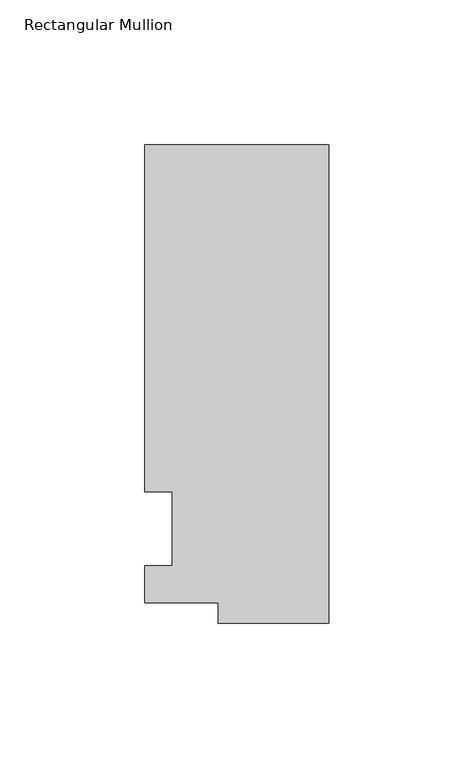
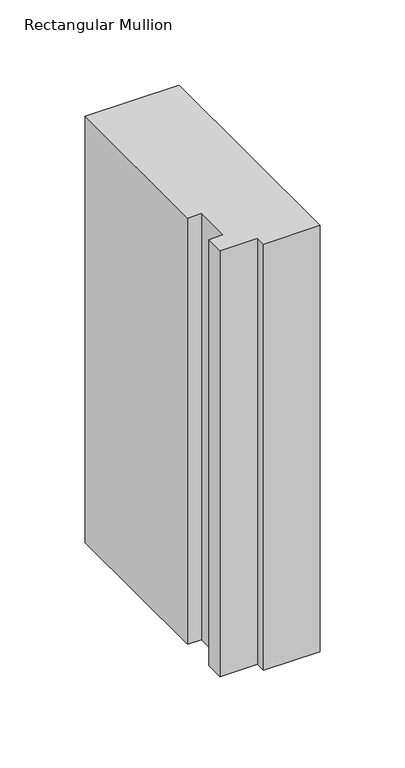
"""IFC4 building model written with IfcOpenShell, lengths in millimetres: member geometry, Rectangular Mullion."""

import ifcopenshell
import ifcopenshell.guid

model = None  # the IFC model being written
_history = None  # IfcOwnerHistory: only IFC2X3 demands one
_inside = {}  # id of a spatial element -> (the spatial element, [elements in it])
_under = {}  # id of a project, library or spatial element -> (it, [spatial elements below it])
_declared = {}  # id of a project -> (the project, [libraries it declares])
_typed = {}  # id of a type object -> (the type object, [elements of that type])
_made_of = {}  # id of a material, layer set ... -> (it, [elements and type objects made of it])


def new_model(schema):
    """Start an empty IFC model of exactly this schema.

    Asked for "IFC4X3", IfcOpenShell would pick the latest addendum, in which some entities
    have other attributes; the version numbers below select the first issue.
    IFC2X3 requires an IfcOwnerHistory on every rooted entity: one is made here for all.
    """
    global model, _history
    if schema == "IFC4X3":
        model = ifcopenshell.file(schema_version=(4, 3, 0, 0))
    else:
        model = ifcopenshell.file(schema=schema)
    _inside.clear()
    _under.clear()
    _declared.clear()
    _typed.clear()
    _made_of.clear()
    _history = None
    if model.schema == "IFC2X3":
        org = make("IfcOrganization", Name="unknown")
        user = make(
            "IfcPersonAndOrganization",
            ThePerson=make("IfcPerson", FamilyName="unknown"),
            TheOrganization=org,
        )
        app = make(
            "IfcApplication",
            ApplicationDeveloper=org,
            Version="unknown",
            ApplicationFullName="unknown",
            ApplicationIdentifier="unknown",
        )
        _history = make(
            "IfcOwnerHistory",
            OwningUser=user,
            OwningApplication=app,
            ChangeAction="ADDED",
            CreationDate=0,
        )
    return model


def make(cls, **values):
    """One entity of the class cls with the attributes given. An attribute that is None is left unset."""
    return model.create_entity(
        cls, **{name: value for name, value in values.items() if value is not None}
    )


def rooted(cls, **values):
    """An entity with a GlobalId (a new one), such as an element, a storey or a relation."""
    return make(cls, GlobalId=ifcopenshell.guid.new(), OwnerHistory=_history, **values)


def si_unit(unit_type, name, prefix=None):
    """IfcSIUnit, for example si_unit("LENGTHUNIT", "METRE", prefix="MILLI")."""
    return make("IfcSIUnit", UnitType=unit_type, Prefix=prefix, Name=name)


def assignment(units):
    """IfcUnitAssignment: the units of a project."""
    return None if units is None else make("IfcUnitAssignment", Units=units)


def point(xyz):
    """IfcCartesianPoint."""
    return None if xyz is None else make("IfcCartesianPoint", Coordinates=xyz)


def direction(xyz):
    """IfcDirection."""
    return None if xyz is None else make("IfcDirection", DirectionRatios=xyz)


def frame(location, z_axis=None, x_axis=None):
    """IfcAxis2Placement3D, a coordinate frame: its origin and axes. An axis left out is left unset."""
    return make(
        "IfcAxis2Placement3D",
        Location=point(location),
        Axis=direction(z_axis),
        RefDirection=direction(x_axis),
    )


def origin():
    """The frame at (0, 0, 0) with its axes left unset."""
    return frame((0.0, 0.0, 0.0))


def place(relative_to, where):
    """IfcLocalPlacement: puts the frame where relative to a parent placement (None: the world)."""
    return make(
        "IfcLocalPlacement", PlacementRelTo=relative_to, RelativePlacement=where
    )


def context(
    kind, dimensions, precision=None, world=None, true_north=None, identifier=None
):
    """IfcGeometricRepresentationContext, for example the 3D "Model" context."""
    return make(
        "IfcGeometricRepresentationContext",
        ContextIdentifier=identifier,
        ContextType=kind,
        CoordinateSpaceDimension=dimensions,
        Precision=precision,
        WorldCoordinateSystem=world,
        TrueNorth=true_north,
    )


def project(units=None, contexts=None):
    """IfcProject with its units and contexts."""
    return rooted(
        "IfcProject",
        Name="project",
        RepresentationContexts=contexts,
        UnitsInContext=assignment(units),
    )


def spatial(cls, under=None, at=None, **own):
    """A site, building, storey or space (cls), placed at a placement, below another one or the project."""
    s = rooted(cls, ObjectPlacement=at, **own)
    if under is not None:
        _under.setdefault(under.id(), (under, []))[1].append(s)
    return s


def polyline(points):
    """IfcPolyline through the points."""
    return make("IfcPolyline", Points=[point(p) for p in points])


def outline(outer, holes=None, kind="AREA"):
    """IfcArbitraryClosedProfileDef: a profile drawn as a closed curve; with holes, ...WithVoids."""
    if holes is None:
        return make("IfcArbitraryClosedProfileDef", ProfileType=kind, OuterCurve=outer)
    return make(
        "IfcArbitraryProfileDefWithVoids",
        ProfileType=kind,
        OuterCurve=outer,
        InnerCurves=holes,
    )


def extrude(swept, where, along, depth):
    """IfcExtrudedAreaSolid: the profile swept, set in the frame where, extruded along a direction by depth."""
    return make(
        "IfcExtrudedAreaSolid",
        SweptArea=swept,
        Position=where,
        ExtrudedDirection=direction(along),
        Depth=depth,
    )


def shape(context_of_items, identifier, shape_type, items):
    """IfcShapeRepresentation: the items that make up one representation, for example the "Body"."""
    return make(
        "IfcShapeRepresentation",
        ContextOfItems=context_of_items,
        RepresentationIdentifier=identifier,
        RepresentationType=shape_type,
        Items=items,
    )


def source(mapping_origin, context_of_items, identifier, shape_type, items):
    """IfcRepresentationMap: a shape defined once, which mapped items show again and again."""
    return make(
        "IfcRepresentationMap",
        MappingOrigin=mapping_origin,
        MappedRepresentation=shape(context_of_items, identifier, shape_type, items),
    )


def transform(
    local_origin,
    x_axis=None,
    y_axis=None,
    z_axis=None,
    scale=None,
    scale2=None,
    scale3=None,
    uniform=True,
):
    """IfcCartesianTransformationOperator3D, or its non-uniform kind. x_axis, y_axis, z_axis: its Axis1, 2, 3."""
    if uniform:
        return make(
            "IfcCartesianTransformationOperator3D",
            Axis1=direction(x_axis),
            Axis2=direction(y_axis),
            LocalOrigin=point(local_origin),
            Scale=scale,
            Axis3=direction(z_axis),
        )
    return make(
        "IfcCartesianTransformationOperator3DnonUniform",
        Axis1=direction(x_axis),
        Axis2=direction(y_axis),
        LocalOrigin=point(local_origin),
        Scale=scale,
        Axis3=direction(z_axis),
        Scale2=scale2,
        Scale3=scale3,
    )


def mapped(mapping_source, mapping_target):
    """IfcMappedItem: shows the shape of a source again, moved by a transform."""
    return make(
        "IfcMappedItem", MappingSource=mapping_source, MappingTarget=mapping_target
    )


def made_of(thing, what):
    """Note that an element or type object is made of a material, layer set ...; save() writes the relation."""
    if what is not None:
        _made_of.setdefault(what.id(), (what, []))[1].append(thing)
    return thing


def element(
    cls,
    number,
    at=None,
    inside=None,
    cuts=None,
    type_object=None,
    material=None,
    context=None,
    identifier="Body",
    shape_type=None,
    held_by="IfcProductDefinitionShape",
    body=None,
    shapes=None,
    **own,
):
    """One element of the class cls, such as IfcWall. Its Tag is "e" and its number.

    at: its placement. inside: the storey or other place that contains it. cuts: it is an
    opening in that element (IfcRelVoidsElement). A single representation is given by context,
    identifier, shape_type and body (its items); several are given by shapes. held_by: the class
    of the entity that holds the representations. save() writes the other relations.
    """
    e = rooted(cls, Tag="e%d" % number, ObjectPlacement=at, **own)
    if body is not None:
        shapes = [shape(context, identifier, shape_type, body)]
    if shapes is not None:
        e.Representation = make(held_by, Representations=shapes)
    if inside is not None:
        _inside.setdefault(inside.id(), (inside, []))[1].append(e)
    if cuts is not None:
        rooted(
            "IfcRelVoidsElement", RelatingBuildingElement=cuts, RelatedOpeningElement=e
        )
    if type_object is not None:
        _typed.setdefault(type_object.id(), (type_object, []))[1].append(e)
    return made_of(e, material)


def aggregate(whole, parts):
    """IfcRelAggregates: a whole, such as a stair, and the parts it consists of."""
    return rooted("IfcRelAggregates", RelatingObject=whole, RelatedObjects=parts)


def save(model, path):
    """Write the relations noted so far, then the file.

    IfcRelAggregates (storeys below a building ...), IfcRelContainedInSpatialStructure (elements
    in a storey), IfcRelDefinesByType, IfcRelAssociatesMaterial and IfcRelDeclares: one each for
    every whole, place, type object, material and project.
    """
    for whole, parts in _under.values():
        aggregate(whole, parts)
    for where, things in _inside.values():
        rooted(
            "IfcRelContainedInSpatialStructure",
            RelatedElements=things,
            RelatingStructure=where,
        )
    for kind, things in _typed.values():
        rooted("IfcRelDefinesByType", RelatedObjects=things, RelatingType=kind)
    for what, things in _made_of.values():
        rooted("IfcRelAssociatesMaterial", RelatedObjects=things, RelatingMaterial=what)
    for by, libraries in _declared.values():
        rooted("IfcRelDeclares", RelatingContext=by, RelatedDefinitions=libraries)
    model.write(path)


def rectangular_mullion_c781d72c(model_context):
    return source(origin(), model_context, "Body", "SweptSolid", [
        extrude(outline(polyline([(-38.1, -32.54375), (-38.1, -25.58415), (-63.5, -25.58415), (-63.5, -12.7), (-53.975, -12.7), (-53.975, 12.7), (-63.5, 12.7), (-63.5, 132.55625), (0.0, 132.55625), (0.0, -32.54375), (-38.1, -32.54375)])), frame((0.0, 0.0, -304.8), z_axis=(0.0, 0.0, 1.0), x_axis=(1.0, 0.0, 0.0)), (0.0, 0.0, 1.0), 304.8),
    ])


if __name__ == "__main__":
    model = new_model("IFC4")
    model_context = context("Model", 3, world=origin())
    ifc_project = project(units=[si_unit("LENGTHUNIT", "METRE", prefix="MILLI")], contexts=[model_context])
    site = spatial("IfcSite", under=ifc_project)
    building = spatial("IfcBuilding", under=site)
    placement = place(None, origin())
    rectangular_mullion_shape = rectangular_mullion_c781d72c(model_context)
    element("IfcMember", 1, ObjectType="Rectangular Mullion", at=placement, inside=building, context=model_context, shape_type="MappedRepresentation", body=[
        mapped(rectangular_mullion_shape, transform((0.0, 0.0, 0.0), x_axis=(1.0, 0.0, 0.0), y_axis=(0.0, 1.0, 0.0), z_axis=(0.0, 0.0, 1.0))),
    ])
    save(model, "model.ifc")
